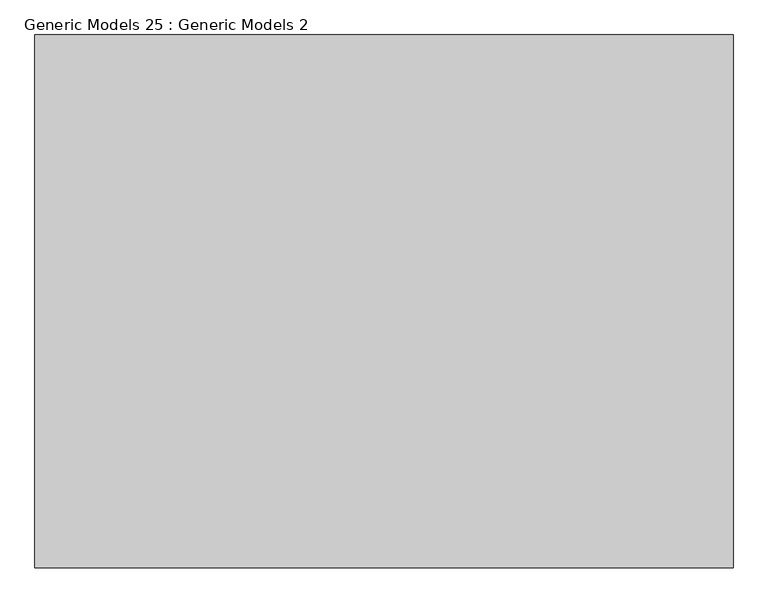
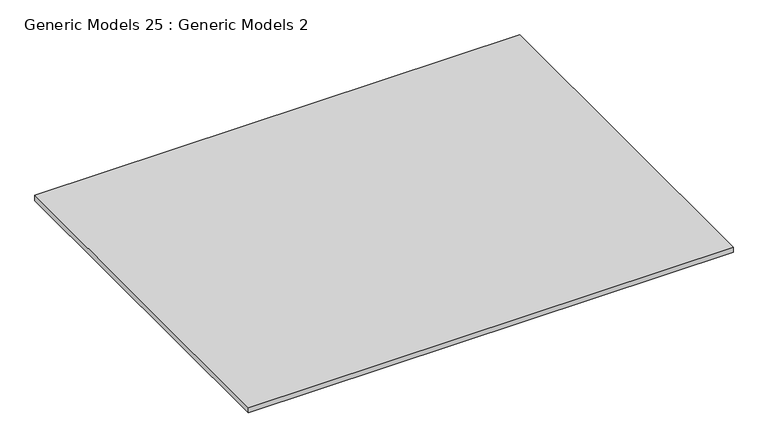
"""IFC4 building model written with IfcOpenShell, lengths in millimetres: proxy geometry, Generic Models 25 : Generic Models 2."""

from ifc_helpers import new_model, si_unit, frame, origin, place, context, project, spatial, polyline, outline, extrude, source, transform, mapped, element, save


def generic_models_25_generic_models_2_c40249ae(model_context):
    return source(origin(), model_context, "Body", "SweptSolid", [
        extrude(outline(polyline([(-14317.9804271, 5714.5357079), (-14317.9804271, 7012.0360849), (-12617.9804271, 7012.0360849), (-12617.9804271, 5714.5357079), (-14317.9804271, 5714.5357079)])), frame((0.0, 0.0, 8140.0), z_axis=(0.0, 0.0, 1.0), x_axis=(1.0, 0.0, 0.0)), (0.0, 0.0, 1.0), 20.0),
    ])


if __name__ == "__main__":
    model = new_model("IFC4")
    model_context = context("Model", 3, world=origin())
    ifc_project = project(units=[si_unit("LENGTHUNIT", "METRE", prefix="MILLI")], contexts=[model_context])
    site = spatial("IfcSite", under=ifc_project)
    building = spatial("IfcBuilding", under=site)
    placement = place(None, origin())
    generic_models_25_generic_models_2_shape = generic_models_25_generic_models_2_c40249ae(model_context)
    element("IfcBuildingElementProxy", 1, Name="Generic Models 25 : Generic Models 2", ObjectType="Generic Models 25 : Generic Models 2", at=placement, inside=building, context=model_context, shape_type="MappedRepresentation", body=[
        mapped(generic_models_25_generic_models_2_shape, transform((0.0, 0.0, 0.0), x_axis=(1.0, 0.0, 0.0), y_axis=(0.0, 1.0, 0.0), z_axis=(0.0, 0.0, 1.0))),
    ])
    save(model, "model.ifc")
